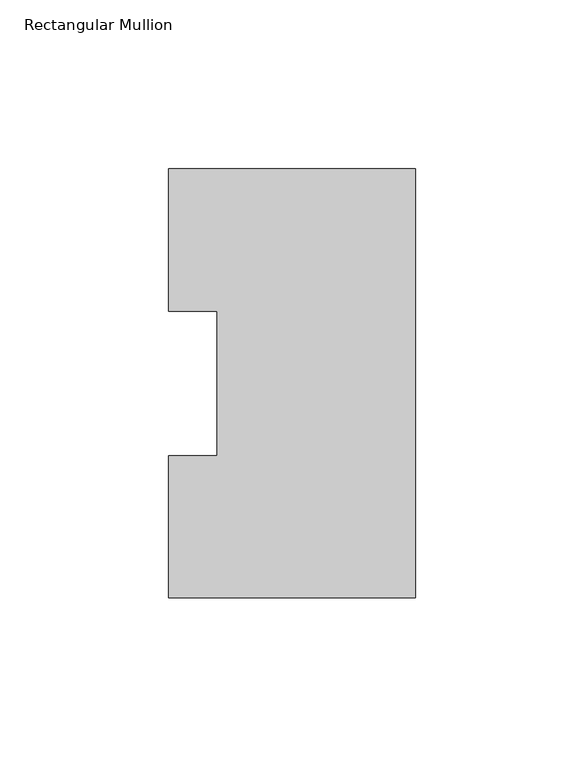
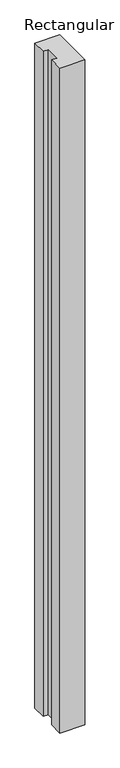
"""IFC4 building model written with IfcOpenShell, lengths in millimetres: member geometry, Rectangular Mullion."""

from ifc_helpers import new_model, si_unit, frame, origin, place, context, project, spatial, polyline, outline, extrude, source, transform, mapped, element, save


def rectangular_mullion_91b6f4ed(model_context):
    return source(origin(), model_context, "Body", "SweptSolid", [
        extrude(outline(polyline([(-73.025, 126.7086938), (0.0, 126.7086938), (0.0, -0.2913062), (-73.025, -0.2913062), (-73.025, 41.7837938), (-58.7375, 41.7837938), (-58.7375, 84.6335938), (-73.025, 84.6335938), (-73.025, 126.7086938)])), frame((0.0, 0.0, -2057.4), z_axis=(0.0, 0.0, 1.0), x_axis=(1.0, 0.0, 0.0)), (0.0, 0.0, 1.0), 2057.4),
    ])


if __name__ == "__main__":
    model = new_model("IFC4")
    model_context = context("Model", 3, world=origin())
    ifc_project = project(units=[si_unit("LENGTHUNIT", "METRE", prefix="MILLI")], contexts=[model_context])
    site = spatial("IfcSite", under=ifc_project)
    building = spatial("IfcBuilding", under=site)
    placement = place(None, origin())
    rectangular_mullion_shape = rectangular_mullion_91b6f4ed(model_context)
    element("IfcMember", 1, ObjectType="Rectangular Mullion", at=placement, inside=building, context=model_context, shape_type="MappedRepresentation", body=[
        mapped(rectangular_mullion_shape, transform((0.0, 0.0, 0.0), x_axis=(1.0, 0.0, 0.0), y_axis=(0.0, 1.0, 0.0), z_axis=(0.0, 0.0, 1.0))),
    ])
    save(model, "model.ifc")
